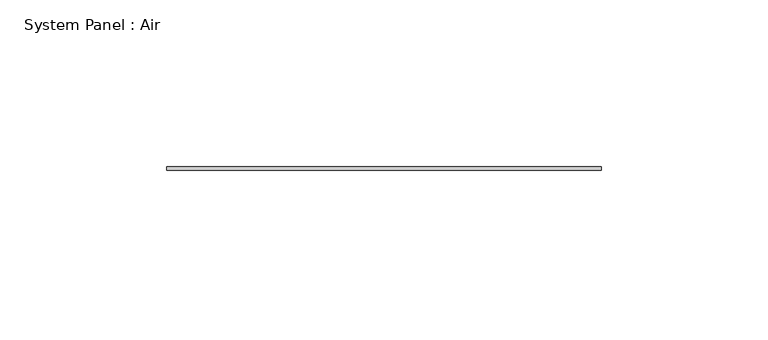
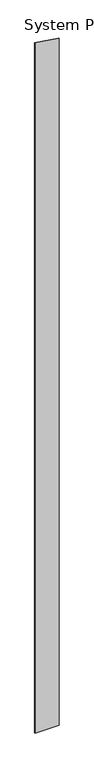
"""IFC4 building model written with IfcOpenShell, lengths in millimetres: plate geometry, System Panel : Air."""

from ifc_helpers import new_model, si_unit, frame, origin, place, context, project, spatial, polyline, outline, extrude, source, transform, mapped, element, save


def system_panel_air_08ce5929(model_context):
    return source(origin(), model_context, "Body", "SweptSolid", [
        extrude(outline(polyline([(0.0, -65.0), (0.0, 65.0), (3919.1688606, 65.0), (3938.4242913, -65.0), (0.0, -65.0)])), frame((0.0, 36.5, 0.0), z_axis=(0.0, 1.0, 0.0), x_axis=(0.0, 0.0, 1.0)), (0.0, 0.0, 1.0), 1.0),
    ])


if __name__ == "__main__":
    model = new_model("IFC4")
    model_context = context("Model", 3, world=origin())
    ifc_project = project(units=[si_unit("LENGTHUNIT", "METRE", prefix="MILLI")], contexts=[model_context])
    site = spatial("IfcSite", under=ifc_project)
    building = spatial("IfcBuilding", under=site)
    placement = place(None, origin())
    system_panel_air_shape = system_panel_air_08ce5929(model_context)
    element("IfcPlate", 1, ObjectType="System Panel : Air", at=placement, inside=building, context=model_context, shape_type="MappedRepresentation", body=[
        mapped(system_panel_air_shape, transform((0.0, 0.0, 0.0), x_axis=(1.0, 0.0, 0.0), y_axis=(0.0, 1.0, 0.0), z_axis=(0.0, 0.0, 1.0))),
    ])
    save(model, "model.ifc")
